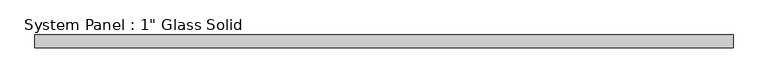
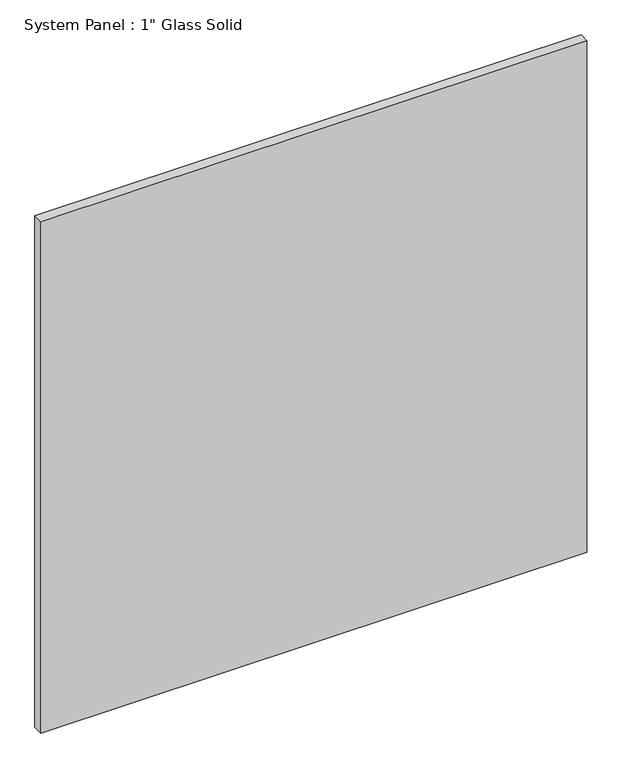
"""IFC4 building model written with IfcOpenShell, lengths in millimetres: plate geometry."""

import ifcopenshell
import ifcopenshell.guid

model = None  # the IFC model being written
_history = None  # IfcOwnerHistory: only IFC2X3 demands one
_inside = {}  # id of a spatial element -> (the spatial element, [elements in it])
_under = {}  # id of a project, library or spatial element -> (it, [spatial elements below it])
_declared = {}  # id of a project -> (the project, [libraries it declares])
_typed = {}  # id of a type object -> (the type object, [elements of that type])
_made_of = {}  # id of a material, layer set ... -> (it, [elements and type objects made of it])


def new_model(schema):
    """Start an empty IFC model of exactly this schema.

    Asked for "IFC4X3", IfcOpenShell would pick the latest addendum, in which some entities
    have other attributes; the version numbers below select the first issue.
    IFC2X3 requires an IfcOwnerHistory on every rooted entity: one is made here for all.
    """
    global model, _history
    if schema == "IFC4X3":
        model = ifcopenshell.file(schema_version=(4, 3, 0, 0))
    else:
        model = ifcopenshell.file(schema=schema)
    _inside.clear()
    _under.clear()
    _declared.clear()
    _typed.clear()
    _made_of.clear()
    _history = None
    if model.schema == "IFC2X3":
        org = make("IfcOrganization", Name="unknown")
        user = make(
            "IfcPersonAndOrganization",
            ThePerson=make("IfcPerson", FamilyName="unknown"),
            TheOrganization=org,
        )
        app = make(
            "IfcApplication",
            ApplicationDeveloper=org,
            Version="unknown",
            ApplicationFullName="unknown",
            ApplicationIdentifier="unknown",
        )
        _history = make(
            "IfcOwnerHistory",
            OwningUser=user,
            OwningApplication=app,
            ChangeAction="ADDED",
            CreationDate=0,
        )
    return model


def make(cls, **values):
    """One entity of the class cls with the attributes given. An attribute that is None is left unset."""
    return model.create_entity(
        cls, **{name: value for name, value in values.items() if value is not None}
    )


def rooted(cls, **values):
    """An entity with a GlobalId (a new one), such as an element, a storey or a relation."""
    return make(cls, GlobalId=ifcopenshell.guid.new(), OwnerHistory=_history, **values)


def si_unit(unit_type, name, prefix=None):
    """IfcSIUnit, for example si_unit("LENGTHUNIT", "METRE", prefix="MILLI")."""
    return make("IfcSIUnit", UnitType=unit_type, Prefix=prefix, Name=name)


def assignment(units):
    """IfcUnitAssignment: the units of a project."""
    return None if units is None else make("IfcUnitAssignment", Units=units)


def point(xyz):
    """IfcCartesianPoint."""
    return None if xyz is None else make("IfcCartesianPoint", Coordinates=xyz)


def direction(xyz):
    """IfcDirection."""
    return None if xyz is None else make("IfcDirection", DirectionRatios=xyz)


def frame(location, z_axis=None, x_axis=None):
    """IfcAxis2Placement3D, a coordinate frame: its origin and axes. An axis left out is left unset."""
    return make(
        "IfcAxis2Placement3D",
        Location=point(location),
        Axis=direction(z_axis),
        RefDirection=direction(x_axis),
    )


def origin():
    """The frame at (0, 0, 0) with its axes left unset."""
    return frame((0.0, 0.0, 0.0))


def origin_with_axes():
    """The frame at (0, 0, 0) with the z axis (0, 0, 1) and the x axis (1, 0, 0) written out."""
    return frame((0.0, 0.0, 0.0), z_axis=(0.0, 0.0, 1.0), x_axis=(1.0, 0.0, 0.0))


def place(relative_to, where):
    """IfcLocalPlacement: puts the frame where relative to a parent placement (None: the world)."""
    return make(
        "IfcLocalPlacement", PlacementRelTo=relative_to, RelativePlacement=where
    )


def context(
    kind, dimensions, precision=None, world=None, true_north=None, identifier=None
):
    """IfcGeometricRepresentationContext, for example the 3D "Model" context."""
    return make(
        "IfcGeometricRepresentationContext",
        ContextIdentifier=identifier,
        ContextType=kind,
        CoordinateSpaceDimension=dimensions,
        Precision=precision,
        WorldCoordinateSystem=world,
        TrueNorth=true_north,
    )


def project(units=None, contexts=None):
    """IfcProject with its units and contexts."""
    return rooted(
        "IfcProject",
        Name="project",
        RepresentationContexts=contexts,
        UnitsInContext=assignment(units),
    )


def spatial(cls, under=None, at=None, **own):
    """A site, building, storey or space (cls), placed at a placement, below another one or the project."""
    s = rooted(cls, ObjectPlacement=at, **own)
    if under is not None:
        _under.setdefault(under.id(), (under, []))[1].append(s)
    return s


def polyline(points):
    """IfcPolyline through the points."""
    return make("IfcPolyline", Points=[point(p) for p in points])


def outline(outer, holes=None, kind="AREA"):
    """IfcArbitraryClosedProfileDef: a profile drawn as a closed curve; with holes, ...WithVoids."""
    if holes is None:
        return make("IfcArbitraryClosedProfileDef", ProfileType=kind, OuterCurve=outer)
    return make(
        "IfcArbitraryProfileDefWithVoids",
        ProfileType=kind,
        OuterCurve=outer,
        InnerCurves=holes,
    )


def extrude(swept, where, along, depth):
    """IfcExtrudedAreaSolid: the profile swept, set in the frame where, extruded along a direction by depth."""
    return make(
        "IfcExtrudedAreaSolid",
        SweptArea=swept,
        Position=where,
        ExtrudedDirection=direction(along),
        Depth=depth,
    )


def shape(context_of_items, identifier, shape_type, items):
    """IfcShapeRepresentation: the items that make up one representation, for example the "Body"."""
    return make(
        "IfcShapeRepresentation",
        ContextOfItems=context_of_items,
        RepresentationIdentifier=identifier,
        RepresentationType=shape_type,
        Items=items,
    )


def source(mapping_origin, context_of_items, identifier, shape_type, items):
    """IfcRepresentationMap: a shape defined once, which mapped items show again and again."""
    return make(
        "IfcRepresentationMap",
        MappingOrigin=mapping_origin,
        MappedRepresentation=shape(context_of_items, identifier, shape_type, items),
    )


def transform(
    local_origin,
    x_axis=None,
    y_axis=None,
    z_axis=None,
    scale=None,
    scale2=None,
    scale3=None,
    uniform=True,
):
    """IfcCartesianTransformationOperator3D, or its non-uniform kind. x_axis, y_axis, z_axis: its Axis1, 2, 3."""
    if uniform:
        return make(
            "IfcCartesianTransformationOperator3D",
            Axis1=direction(x_axis),
            Axis2=direction(y_axis),
            LocalOrigin=point(local_origin),
            Scale=scale,
            Axis3=direction(z_axis),
        )
    return make(
        "IfcCartesianTransformationOperator3DnonUniform",
        Axis1=direction(x_axis),
        Axis2=direction(y_axis),
        LocalOrigin=point(local_origin),
        Scale=scale,
        Axis3=direction(z_axis),
        Scale2=scale2,
        Scale3=scale3,
    )


def mapped(mapping_source, mapping_target):
    """IfcMappedItem: shows the shape of a source again, moved by a transform."""
    return make(
        "IfcMappedItem", MappingSource=mapping_source, MappingTarget=mapping_target
    )


def made_of(thing, what):
    """Note that an element or type object is made of a material, layer set ...; save() writes the relation."""
    if what is not None:
        _made_of.setdefault(what.id(), (what, []))[1].append(thing)
    return thing


def element(
    cls,
    number,
    at=None,
    inside=None,
    cuts=None,
    type_object=None,
    material=None,
    context=None,
    identifier="Body",
    shape_type=None,
    held_by="IfcProductDefinitionShape",
    body=None,
    shapes=None,
    **own,
):
    """One element of the class cls, such as IfcWall. Its Tag is "e" and its number.

    at: its placement. inside: the storey or other place that contains it. cuts: it is an
    opening in that element (IfcRelVoidsElement). A single representation is given by context,
    identifier, shape_type and body (its items); several are given by shapes. held_by: the class
    of the entity that holds the representations. save() writes the other relations.
    """
    e = rooted(cls, Tag="e%d" % number, ObjectPlacement=at, **own)
    if body is not None:
        shapes = [shape(context, identifier, shape_type, body)]
    if shapes is not None:
        e.Representation = make(held_by, Representations=shapes)
    if inside is not None:
        _inside.setdefault(inside.id(), (inside, []))[1].append(e)
    if cuts is not None:
        rooted(
            "IfcRelVoidsElement", RelatingBuildingElement=cuts, RelatedOpeningElement=e
        )
    if type_object is not None:
        _typed.setdefault(type_object.id(), (type_object, []))[1].append(e)
    return made_of(e, material)


def aggregate(whole, parts):
    """IfcRelAggregates: a whole, such as a stair, and the parts it consists of."""
    return rooted("IfcRelAggregates", RelatingObject=whole, RelatedObjects=parts)


def save(model, path):
    """Write the relations noted so far, then the file.

    IfcRelAggregates (storeys below a building ...), IfcRelContainedInSpatialStructure (elements
    in a storey), IfcRelDefinesByType, IfcRelAssociatesMaterial and IfcRelDeclares: one each for
    every whole, place, type object, material and project.
    """
    for whole, parts in _under.values():
        aggregate(whole, parts)
    for where, things in _inside.values():
        rooted(
            "IfcRelContainedInSpatialStructure",
            RelatedElements=things,
            RelatingStructure=where,
        )
    for kind, things in _typed.values():
        rooted("IfcRelDefinesByType", RelatedObjects=things, RelatingType=kind)
    for what, things in _made_of.values():
        rooted("IfcRelAssociatesMaterial", RelatedObjects=things, RelatingMaterial=what)
    for by, libraries in _declared.values():
        rooted("IfcRelDeclares", RelatingContext=by, RelatedDefinitions=libraries)
    model.write(path)


def plate_577b7a0b(model_context):
    return source(origin(), model_context, "Body", "SweptSolid", [
        extrude(outline(polyline([(683.1054024, -12.7), (-683.1054024, -12.7), (-683.1054024, 12.7), (683.1054024, 12.7), (683.1054024, -12.7)])), origin_with_axes(), (0.0, 0.0, 1.0), 1352.6641382),
    ])


if __name__ == "__main__":
    model = new_model("IFC4")
    model_context = context("Model", 3, world=origin())
    ifc_project = project(units=[si_unit("LENGTHUNIT", "METRE", prefix="MILLI")], contexts=[model_context])
    site = spatial("IfcSite", under=ifc_project)
    building = spatial("IfcBuilding", under=site)
    placement = place(None, origin())
    plate_shape = plate_577b7a0b(model_context)
    element("IfcPlate", 1, ObjectType="System Panel : 1\" Glass Solid", at=placement, inside=building, context=model_context, shape_type="MappedRepresentation", body=[
        mapped(plate_shape, transform((0.0, 0.0, 0.0), x_axis=(1.0, 0.0, 0.0), y_axis=(0.0, 1.0, 0.0), z_axis=(0.0, 0.0, 1.0))),
    ])
    save(model, "model.ifc")
